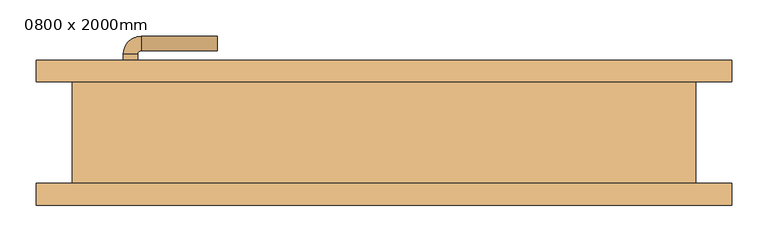
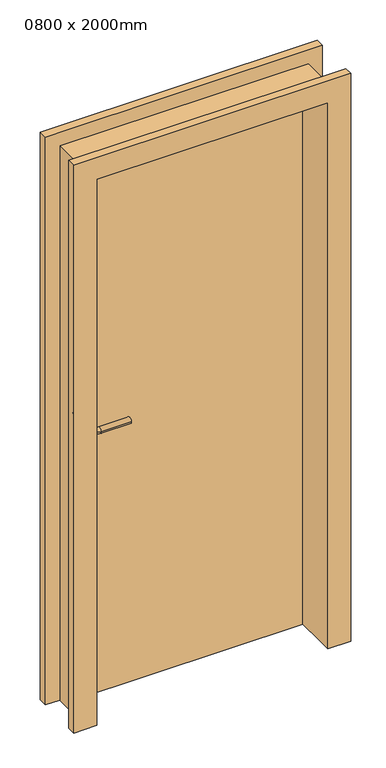
"""IFC4 building model written with IfcOpenShell, lengths in millimetres: door geometry, 0800 x 2000mm."""

from ifc_helpers import new_model, si_unit, point, frame, frame_2d, origin, origin_with_axes, place, context, project, spatial, polyline, circle_curve, ellipse_curve, trimmed, segment, composite_curve, outline, extrude, faceted_brep, source, transform, mapped, element, save
from ifc_brep_helpers import plane_surface, cylinder_surface, revolved_surface, advanced_brep


def door_0800_x_2000mm_bc2e7a46(model_context):
    return source(origin(), model_context, "Body", "SolidModel", [
        advanced_brep(
        [(-360.0, 42.0, 1000.0), (-340.0, 42.0, 1000.0), (-340.0, 12.0, 1000.0), (-360.0, 12.0, 1000.0), (-335.0, 7.0, 1000.0), (-335.0, -13.0, 1000.0), (-230.0, -13.0, 1000.0), (-230.0, 7.0, 1000.0)],
        [
            (0, 1, circle_curve(frame((-350.0, 42.0, 1000.0), z_axis=(0.0, 1.0, 0.0), x_axis=(0.9999999999999986, 0.0, 0.0)), 10.0)),
            (1, 0, circle_curve(frame((-350.0, 42.0, 1000.0), z_axis=(0.0, 1.0, 0.0), x_axis=(0.9999999999999986, 0.0, 0.0)), 10.0)),
            (1, 2),
            (2, 3, circle_curve(frame((-350.0, 12.0, 1000.0), z_axis=(0.0, 1.0, 0.0), x_axis=(0.9999999999999986, 0.0, 0.0)), 10.0)),
            (3, 0),
            (3, 2, circle_curve(frame((-350.0, 12.0, 1000.0), z_axis=(0.0, 1.0, 0.0), x_axis=(0.9999999999999986, 0.0, 0.0)), 10.0)),
            (4, 5, circle_curve(frame((-335.0, -3.0, 1000.0), z_axis=(-0.9999999999999986, 0.0, 0.0), x_axis=(0.0, 0.9999999999999986, 0.0)), 10.0)),
            (5, 3, circle_curve(frame((-335.0, 12.0, 1000.0), z_axis=(0.0, 0.0, -1.0), x_axis=(-0.9999999999999986, 0.0, 0.0)), 25.0)),
            (2, 4, circle_curve(frame((-335.0, 12.0, 1000.0), z_axis=(0.0, 0.0, 1.0), x_axis=(-0.9999999999999986, 0.0, 0.0)), 5.0)),
            (5, 4, circle_curve(frame((-335.0, -3.0, 1000.0), z_axis=(-0.9999999999999986, 0.0, 0.0), x_axis=(0.0, 0.9999999999999986, 0.0)), 10.0)),
            (6, 7, circle_curve(frame((-230.0, -3.0, 1000.0), z_axis=(1.0, 0.0, 0.0), x_axis=(0.0, 0.9999999999999986, 0.0)), 10.0)),
            (7, 6, circle_curve(frame((-230.0, -3.0, 1000.0), z_axis=(1.0, 0.0, 0.0), x_axis=(0.0, 0.9999999999999986, 0.0)), 10.0)),
            (4, 7),
            (6, 5),
        ],
        [
            plane_surface(frame((-350.0, 42.0, 1000.0), z_axis=(0.0, 1.0, 0.0), x_axis=(0.0, 0.0, 1.0))),
            cylinder_surface(frame((-350.0, 42.0, 1000.0), z_axis=(0.0, 0.9999999999999986, 0.0), x_axis=(0.9999999999999986, 0.0, 0.0)), 10.0),
            revolved_surface(trimmed(ellipse_curve(frame((-350.0, 12.0, 1000.0), z_axis=(0.0, -0.9999999999999986, 0.0), x_axis=(0.9999999999999986, 0.0, 0.0)), 10.0, 10.0), [point((-360.0, 12.0, 1000.0))], [point((-340.0, 12.0, 1000.0))], True, "CARTESIAN"), (-335.0, 12.0, 1000.0), (0.0, 0.0, -1.0)),
            revolved_surface(trimmed(ellipse_curve(frame((-350.0, 12.0, 1000.0), z_axis=(0.0, -0.9999999999999986, 0.0), x_axis=(0.9999999999999986, 0.0, 0.0)), 10.0, 10.0), [point((-340.0, 12.0, 1000.0))], [point((-360.0, 12.0, 1000.0))], True, "CARTESIAN"), (-335.0, 12.0, 1000.0), (0.0, 0.0, -1.0)),
            plane_surface(frame((-230.0, -3.0, 1000.0), z_axis=(1.0, 0.0, 0.0), x_axis=(0.0, 0.0, 1.0))),
            cylinder_surface(frame((-335.0, -3.0, 1000.0), z_axis=(-0.9999999999999986, 0.0, 0.0), x_axis=(0.0, 0.9999999999999986, 0.0)), 10.0),
        ],
        [
            (0, [[1, 2]]),
            (1, [[3, 4, 5, -2]]),
            (1, [[-5, 6, -3, -1]]),
            (2, [[7, 8, -4, 9]]),
            (3, [[10, -9, -6, -8]]),
            (4, [[11, 12]]),
            (5, [[13, -11, 14, -7]]),
            (5, [[-14, -12, -13, -10]]),
        ],
    ),
        extrude(outline(composite_curve([segment(trimmed(circle_curve(frame_2d((1000.0, -352.5)), 30.0), [point((1000.0, -382.5))], [point((1000.0, -322.5))], False, "CARTESIAN"), True, "CONTINUOUS"), segment(trimmed(circle_curve(frame_2d((1000.0, -352.5)), 30.0), [point((1000.0, -322.5))], [point((1000.0, -382.5))], False, "CARTESIAN"), True, "CONTINUOUS")], self_intersect=False)), frame((0.0, 42.0, 0.0), z_axis=(0.0, 1.0, 0.0), x_axis=(0.0, 0.0, 1.0)), (0.0, 0.0, 1.0), 8.0),
        advanced_brep(
        [(-360.0, 78.0, 1000.0), (-340.0, 78.0, 1000.0), (-360.0, 108.0, 1000.0), (-340.0, 108.0, 1000.0), (-335.0, 113.0, 1000.0), (-335.0, 133.0, 1000.0), (-230.0, 133.0, 1000.0), (-230.0, 113.0, 1000.0)],
        [
            (0, 1, circle_curve(frame((-350.0, 78.0, 1000.0), z_axis=(0.0, -1.0, 0.0), x_axis=(0.9999999999999992, 0.0, 0.0)), 10.0)),
            (1, 0, circle_curve(frame((-350.0, 78.0, 1000.0), z_axis=(0.0, -1.0, 0.0), x_axis=(0.9999999999999992, 0.0, 0.0)), 10.0)),
            (0, 2),
            (2, 3, circle_curve(frame((-350.0, 108.0, 1000.0), z_axis=(0.0, -1.0, 0.0), x_axis=(0.9999999999999992, 0.0, 0.0)), 10.0)),
            (3, 1),
            (3, 2, circle_curve(frame((-350.0, 108.0, 1000.0), z_axis=(0.0, -1.0, 0.0), x_axis=(0.9999999999999992, 0.0, 0.0)), 10.0)),
            (4, 3, circle_curve(frame((-335.0, 108.0, 1000.0), z_axis=(0.0, 0.0, 1.0), x_axis=(-0.9999999999999992, 0.0, 0.0)), 5.0)),
            (2, 5, circle_curve(frame((-335.0, 108.0, 1000.0), z_axis=(0.0, 0.0, -1.0), x_axis=(-0.9999999999999992, 0.0, 0.0)), 25.0)),
            (5, 4, circle_curve(frame((-335.0, 123.0, 1000.0), z_axis=(-0.9999999999999992, 0.0, 0.0), x_axis=(0.0, -0.9999999999999992, 0.0)), 10.0)),
            (4, 5, circle_curve(frame((-335.0, 123.0, 1000.0), z_axis=(-0.9999999999999992, 0.0, 0.0), x_axis=(0.0, -0.9999999999999992, 0.0)), 10.0)),
            (6, 7, circle_curve(frame((-230.0, 123.0, 1000.0), z_axis=(1.0, 0.0, 0.0), x_axis=(0.0, -0.9999999999999992, 0.0)), 10.0)),
            (7, 6, circle_curve(frame((-230.0, 123.0, 1000.0), z_axis=(1.0, 0.0, 0.0), x_axis=(0.0, -0.9999999999999992, 0.0)), 10.0)),
            (5, 6),
            (7, 4),
        ],
        [
            plane_surface(frame((-350.0, 78.0, 1000.0), z_axis=(0.0, -1.0, 0.0), x_axis=(0.0, 0.0, 1.0))),
            cylinder_surface(frame((-350.0, 78.0, 1000.0), z_axis=(0.0, -0.9999999999999992, 0.0), x_axis=(0.9999999999999992, 0.0, 0.0)), 10.0),
            revolved_surface(trimmed(ellipse_curve(frame((-350.0, 108.0, 1000.0), z_axis=(0.0, -0.9999999999999992, 0.0), x_axis=(0.9999999999999992, 0.0, 0.0)), 10.0, 10.0), [point((-360.0, 108.0, 1000.0))], [point((-340.0, 108.0, 1000.0))], True, "CARTESIAN"), (-335.0, 108.0, 1000.0), (0.0, 0.0, -1.0)),
            revolved_surface(trimmed(ellipse_curve(frame((-350.0, 108.0, 1000.0), z_axis=(0.0, -0.9999999999999992, 0.0), x_axis=(0.9999999999999992, 0.0, 0.0)), 10.0, 10.0), [point((-340.0, 108.0, 1000.0))], [point((-360.0, 108.0, 1000.0))], True, "CARTESIAN"), (-335.0, 108.0, 1000.0), (0.0, 0.0, -1.0)),
            plane_surface(frame((-230.0, 123.0, 1000.0), z_axis=(1.0, 0.0, 0.0), x_axis=(0.0, 0.0, 1.0))),
            cylinder_surface(frame((-335.0, 123.0, 1000.0), z_axis=(-0.9999999999999992, 0.0, 0.0), x_axis=(0.0, -0.9999999999999992, 0.0)), 10.0),
        ],
        [
            (0, [[1, 2]]),
            (1, [[-1, 3, 4, 5]]),
            (1, [[-2, -5, 6, -3]]),
            (2, [[7, -4, 8, 9]]),
            (3, [[-8, -6, -7, 10]]),
            (4, [[11, 12]]),
            (5, [[-9, 13, -12, 14]]),
            (5, [[-10, -14, -11, -13]]),
        ],
    ),
        extrude(outline(composite_curve([segment(trimmed(circle_curve(frame_2d((1000.0, -352.5)), 30.0), [point((1000.0, -382.5))], [point((1000.0, -322.5))], False, "CARTESIAN"), True, "CONTINUOUS"), segment(trimmed(circle_curve(frame_2d((1000.0, -352.5)), 30.0), [point((1000.0, -322.5))], [point((1000.0, -382.5))], False, "CARTESIAN"), True, "CONTINUOUS")], self_intersect=False)), frame((0.0, 70.0, 0.0), z_axis=(0.0, 1.0, 0.0), x_axis=(0.0, 0.0, 1.0)), (0.0, 0.0, 1.0), 8.0),
        faceted_brep([(-430.0, 70.0, 0.0), (-480.0, 70.0, 0.0), (-480.0, 100.0, 0.0), (-400.0, 100.0, 0.0), (-400.0, -100.0, 0.0), (-480.0, -100.0, 0.0), (-480.0, -70.0, 0.0), (-430.0, -70.0, 0.0), (-430.0, 70.0, 2030.0), (430.0, 70.0, 2030.0), (430.0, 70.0, 0.0), (480.0, 70.0, 0.0), (480.0, 70.0, 2080.0), (-480.0, 70.0, 2080.0), (-480.0, 100.0, 2080.0), (480.0, 100.0, 2080.0), (480.0, 100.0, 0.0), (400.0, 100.0, 0.0), (400.0, 100.0, 2000.0), (-400.0, 100.0, 2000.0), (-400.0, -100.0, 2000.0), (400.0, -100.0, 2000.0), (400.0, -100.0, 0.0), (480.0, -100.0, 0.0), (480.0, -100.0, 2080.0), (-480.0, -100.0, 2080.0), (-480.0, -70.0, 2080.0), (480.0, -70.0, 2080.0), (480.0, -70.0, 0.0), (430.0, -70.0, 0.0), (430.0, -70.0, 2030.0), (-430.0, -70.0, 2030.0)], [[[0, 1, 2, 3, 4, 5, 6, 7]], [[1, 0, 8, 9, 10, 11, 12, 13]], [[2, 1, 13, 14]], [[3, 2, 14, 15, 16, 17, 18, 19]], [[4, 3, 19, 20]], [[5, 4, 20, 21, 22, 23, 24, 25]], [[6, 5, 25, 26]], [[7, 6, 26, 27, 28, 29, 30, 31]], [[0, 7, 31, 8]], [[9, 30, 29, 10]], [[10, 29, 28, 23, 22, 17, 16, 11]], [[15, 12, 11, 16]], [[21, 18, 17, 22]], [[27, 24, 23, 28]], [[14, 13, 12, 15]], [[20, 19, 18, 21]], [[26, 25, 24, 27]], [[8, 31, 30, 9]]]),
        extrude(outline(polyline([(-400.0, 70.0), (400.0, 70.0), (400.0, 50.0), (-400.0, 50.0), (-400.0, 70.0)])), origin_with_axes(), (0.0, 0.0, 1.0), 2000.0),
    ])


if __name__ == "__main__":
    model = new_model("IFC4")
    model_context = context("Model", 3, world=origin())
    ifc_project = project(units=[si_unit("LENGTHUNIT", "METRE", prefix="MILLI")], contexts=[model_context])
    site = spatial("IfcSite", under=ifc_project)
    building = spatial("IfcBuilding", under=site)
    placement = place(None, origin())
    door_0800_x_2000mm_shape = door_0800_x_2000mm_bc2e7a46(model_context)
    element("IfcDoor", 1, ObjectType="0800 x 2000mm", at=placement, inside=building, context=model_context, shape_type="MappedRepresentation", body=[
        mapped(door_0800_x_2000mm_shape, transform((0.0, 0.0, 0.0), x_axis=(1.0, 0.0, 0.0), y_axis=(0.0, 1.0, 0.0), z_axis=(0.0, 0.0, 1.0))),
    ])
    save(model, "model.ifc")
